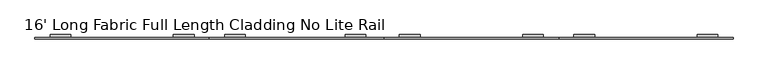
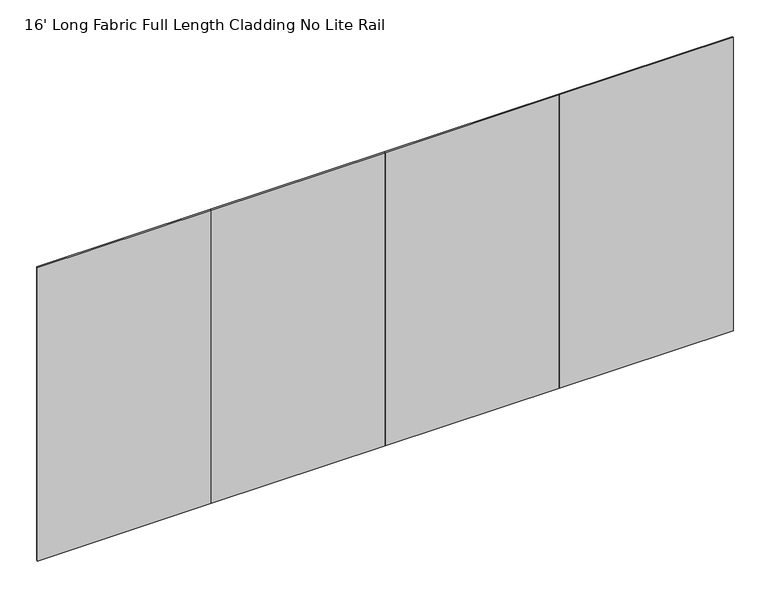
"""IFC4 building model written with IfcOpenShell, lengths in millimetres: furniture geometry, 16' Long Fabric Full Length Cladding No Lite Rail."""

from ifc_helpers import new_model, si_unit, frame, origin, place, context, project, spatial, polyline, outline, extrude, source, transform, mapped, element, save


def furniture_16_long_fabric_full_length_cladding_no_lite_rail_4fc2e0a3(model_context):
    return source(origin(), model_context, "Body", "SweptSolid", [
        extrude(outline(polyline([(3657.6, -4.7752), (2438.4, -4.7752), (2438.4, 4.7498), (3657.6, 4.7498), (3657.6, -4.7752)])), frame((0.0, 0.0, 12.7), z_axis=(0.0, 0.0, 1.0), x_axis=(1.0, 0.0, 0.0)), (0.0, 0.0, 1.0), 2173.6010468),
        extrude(outline(polyline([(2438.4, -4.7752), (1219.2, -4.7752), (1219.2, 4.7498), (2438.4, 4.7498), (2438.4, -4.7752)])), frame((0.0, 0.0, 12.7), z_axis=(0.0, 0.0, 1.0), x_axis=(1.0, 0.0, 0.0)), (0.0, 0.0, 1.0), 2173.6010468),
        extrude(outline(polyline([(4876.8, -4.7752), (3657.6, -4.7752), (3657.6, 4.7498), (4876.8, 4.7498), (4876.8, -4.7752)])), frame((0.0, 0.0, 12.7), z_axis=(0.0, 0.0, 1.0), x_axis=(1.0, 0.0, 0.0)), (0.0, 0.0, 1.0), 2173.6010468),
        extrude(outline(polyline([(1219.2, -4.7752), (0.0, -4.7752), (0.0, 4.7498), (1219.2, 4.7498), (1219.2, -4.7752)])), frame((0.0, 0.0, 12.7), z_axis=(0.0, 0.0, 1.0), x_axis=(1.0, 0.0, 0.0)), (0.0, 0.0, 1.0), 2173.6010468),
        extrude(outline(polyline([(4.7498, 2116.3226334), (24.8177997, 2116.3226334), (24.8177997, 2115.4106251), (5.6618003, 2115.4106251), (5.6618003, 2083.5286322), (24.8177997, 2083.5286322), (24.8177997, 2079.4995474), (5.6618003, 2079.4995474), (5.6618003, 2013.998531), (4.7498, 2013.998531), (4.7498, 2116.3226334)])), frame((2545.4799829, 0.0, 0.0), z_axis=(1.0, 0.0, 0.0), x_axis=(0.0, 1.0, 0.0)), (0.0, 0.0, 1.0), 144.4200002),
        extrude(outline(polyline([(4.7498, 2116.3226334), (24.8177997, 2116.3226334), (24.8177997, 2115.4106251), (5.6618003, 2115.4106251), (5.6618003, 2083.5286322), (24.8177997, 2083.5286322), (24.8177997, 2079.4995474), (5.6618003, 2079.4995474), (5.6618003, 2013.998531), (4.7498, 2013.998531), (4.7498, 2116.3226334)])), frame((3406.100017, 0.0, 0.0), z_axis=(1.0, 0.0, 0.0), x_axis=(0.0, 1.0, 0.0)), (0.0, 0.0, 1.0), 144.4200002),
        extrude(outline(polyline([(4.7498, 2116.3226334), (24.8177997, 2116.3226334), (24.8177997, 2115.4106251), (5.6618003, 2115.4106251), (5.6618003, 2083.5286322), (24.8177997, 2083.5286322), (24.8177997, 2079.4995474), (5.6618003, 2079.4995474), (5.6618003, 2013.998531), (4.7498, 2013.998531), (4.7498, 2116.3226334)])), frame((3764.6799829, 0.0, 0.0), z_axis=(1.0, 0.0, 0.0), x_axis=(0.0, 1.0, 0.0)), (0.0, 0.0, 1.0), 144.4200002),
        extrude(outline(polyline([(4.7498, 2116.3226334), (24.8177997, 2116.3226334), (24.8177997, 2115.4106251), (5.6618003, 2115.4106251), (5.6618003, 2083.5286322), (24.8177997, 2083.5286322), (24.8177997, 2079.4995474), (5.6618003, 2079.4995474), (5.6618003, 2013.998531), (4.7498, 2013.998531), (4.7498, 2116.3226334)])), frame((2167.850017, 0.0, 0.0), z_axis=(1.0, 0.0, 0.0), x_axis=(0.0, 1.0, 0.0)), (0.0, 0.0, 1.0), 144.4200002),
        extrude(outline(polyline([(4.7498, 2116.3226334), (24.8177997, 2116.3226334), (24.8177997, 2115.4106251), (5.6618003, 2115.4106251), (5.6618003, 2083.5286322), (24.8177997, 2083.5286322), (24.8177997, 2079.4995474), (5.6618003, 2079.4995474), (5.6618003, 2013.998531), (4.7498, 2013.998531), (4.7498, 2116.3226334)])), frame((1326.2799829, 0.0, 0.0), z_axis=(1.0, 0.0, 0.0), x_axis=(0.0, 1.0, 0.0)), (0.0, 0.0, 1.0), 144.4200002),
        extrude(outline(polyline([(4.7498, 2116.3226334), (24.8177997, 2116.3226334), (24.8177997, 2115.4106251), (5.6618003, 2115.4106251), (5.6618003, 2083.5286322), (24.8177997, 2083.5286322), (24.8177997, 2079.4995474), (5.6618003, 2079.4995474), (5.6618003, 2013.998531), (4.7498, 2013.998531), (4.7498, 2116.3226334)])), frame((967.700017, 0.0, 0.0), z_axis=(1.0, 0.0, 0.0), x_axis=(0.0, 1.0, 0.0)), (0.0, 0.0, 1.0), 144.4200002),
        extrude(outline(polyline([(4.7498, 2116.3245525), (24.8177997, 2116.3245525), (24.8177997, 2115.4125443), (5.6618003, 2115.4125443), (5.6618003, 2083.5305513), (24.8177997, 2083.5305513), (24.8177997, 2079.5014665), (5.6618003, 2079.5014665), (5.6618003, 2013.9995483), (4.7498, 2013.9995483), (4.7498, 2116.3245525)])), frame((4625.300017, 0.0, 0.0), z_axis=(1.0, 0.0, 0.0), x_axis=(0.0, 1.0, 0.0)), (0.0, 0.0, 1.0), 144.4200002),
        extrude(outline(polyline([(4.7498, 2116.3226334), (24.8177997, 2116.3226334), (24.8177997, 2115.4106251), (5.6618003, 2115.4106251), (5.6618003, 2083.5286322), (24.8177997, 2083.5286322), (24.8177997, 2079.4995474), (5.6618003, 2079.4995474), (5.6618003, 2013.998531), (4.7498, 2013.998531), (4.7498, 2116.3226334)])), frame((107.0799829, 0.0, 0.0), z_axis=(1.0, 0.0, 0.0), x_axis=(0.0, 1.0, 0.0)), (0.0, 0.0, 1.0), 144.4200002),
    ])


if __name__ == "__main__":
    model = new_model("IFC4")
    model_context = context("Model", 3, world=origin())
    ifc_project = project(units=[si_unit("LENGTHUNIT", "METRE", prefix="MILLI")], contexts=[model_context])
    site = spatial("IfcSite", under=ifc_project)
    building = spatial("IfcBuilding", under=site)
    placement = place(None, origin())
    furniture_16_long_fabric_full_length_cladding_no_lite_rail_shape = furniture_16_long_fabric_full_length_cladding_no_lite_rail_4fc2e0a3(model_context)
    element("IfcFurniture", 1, ObjectType="16' Long Fabric Full Length Cladding No Lite Rail", at=placement, inside=building, context=model_context, shape_type="MappedRepresentation", body=[
        mapped(furniture_16_long_fabric_full_length_cladding_no_lite_rail_shape, transform((0.0, 0.0, 0.0), x_axis=(1.0, 0.0, 0.0), y_axis=(0.0, 1.0, 0.0), z_axis=(0.0, 0.0, 1.0))),
    ])
    save(model, "model.ifc")
